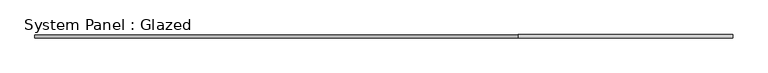
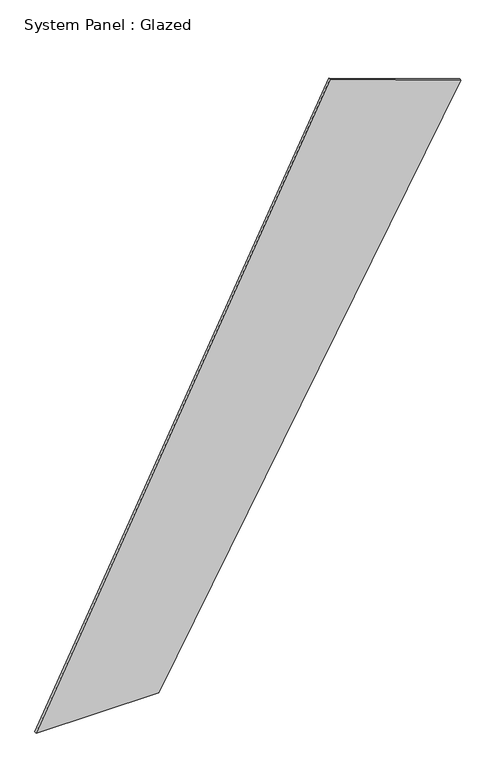
"""IFC4 building model written with IfcOpenShell, lengths in millimetres: plate geometry, System Panel : Glazed."""

from ifc_helpers import new_model, si_unit, frame, origin, place, context, project, spatial, polyline, outline, extrude, source, transform, mapped, element, save


def system_panel_glazed_cdfd4206(model_context):
    return source(origin(), model_context, "Body", "SweptSolid", [
        extrude(outline(polyline([(0.0, -2655.3145763), (0.0, -1123.0678745), (6772.4488187, 2655.3145763), (7354.6707756, 1020.7147284), (0.0, -2655.3145763)])), frame((0.0, 24.5, 0.0), z_axis=(0.0, 1.0, 0.0), x_axis=(0.0, 0.0, 1.0)), (0.0, 0.0, 1.0), 25.0),
    ])


if __name__ == "__main__":
    model = new_model("IFC4")
    model_context = context("Model", 3, world=origin())
    ifc_project = project(units=[si_unit("LENGTHUNIT", "METRE", prefix="MILLI")], contexts=[model_context])
    site = spatial("IfcSite", under=ifc_project)
    building = spatial("IfcBuilding", under=site)
    placement = place(None, origin())
    system_panel_glazed_shape = system_panel_glazed_cdfd4206(model_context)
    element("IfcPlate", 1, ObjectType="System Panel : Glazed", at=placement, inside=building, context=model_context, shape_type="MappedRepresentation", body=[
        mapped(system_panel_glazed_shape, transform((0.0, 0.0, 0.0), x_axis=(1.0, 0.0, 0.0), y_axis=(0.0, 1.0, 0.0), z_axis=(0.0, 0.0, 1.0))),
    ])
    save(model, "model.ifc")
